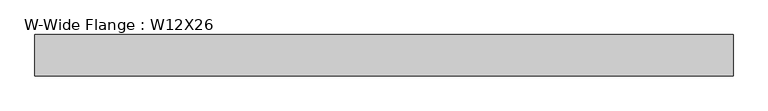
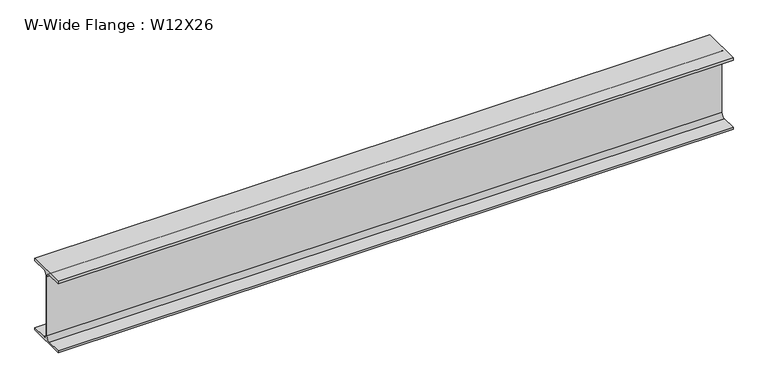
"""IFC4 building model written with IfcOpenShell, lengths in millimetres: beam geometry, W-Wide Flange : W12X26."""

from ifc_helpers import new_model, si_unit, point, frame, frame_2d, origin, place, context, project, spatial, polyline, circle_curve, trimmed, segment, composite_curve, outline, extrude, source, transform, mapped, element, save


def w_wide_flange_w12x26_d5e24187(model_context):
    return source(origin(), model_context, "Body", "SweptSolid", [
        extrude(outline(composite_curve([segment(polyline([(82.4011719, -145.5539063), (82.4011719, -155.178125), (-82.4011719, -155.178125), (-82.4011719, -145.5539063), (-20.2902344, -145.5539063)]), True, "CONTINUOUS"), segment(trimmed(circle_curve(frame_2d((-20.2902344, -128.190625)), 17.3632812), [point((-20.2902344, -145.5539063))], [point((-2.9269531, -128.190625))], True, "CARTESIAN"), True, "CONTINUOUS"), segment(polyline([(-2.9269531, -128.190625), (-2.9269531, 128.190625)]), True, "CONTINUOUS"), segment(trimmed(circle_curve(frame_2d((-20.2902344, 128.190625)), 17.3632812), [point((-2.9269531, 128.190625))], [point((-20.2902344, 145.5539062))], True, "CARTESIAN"), True, "CONTINUOUS"), segment(polyline([(-20.2902344, 145.5539062), (-82.4011719, 145.5539062), (-82.4011719, 155.178125), (82.4011719, 155.178125), (82.4011719, 145.5539062), (20.2902344, 145.5539062)]), True, "CONTINUOUS"), segment(trimmed(circle_curve(frame_2d((20.2902344, 128.190625)), 17.3632812), [point((20.2902344, 145.5539062))], [point((2.9269531, 128.190625))], True, "CARTESIAN"), True, "CONTINUOUS"), segment(polyline([(2.9269531, 128.190625), (2.9269531, -128.190625)]), True, "CONTINUOUS"), segment(trimmed(circle_curve(frame_2d((20.2902344, -128.190625)), 17.3632812), [point((2.9269531, -128.190625))], [point((20.2902344, -145.5539063))], True, "CARTESIAN"), True, "CONTINUOUS"), segment(polyline([(20.2902344, -145.5539063), (82.4011719, -145.5539063)]), True, "CONTINUOUS")], self_intersect=False)), frame((-1379.4247579, 0.0, 0.0), z_axis=(1.0, 0.0, 0.0), x_axis=(0.0, 1.0, 0.0)), (0.0, 0.0, 1.0), 2770.223586),
    ])


if __name__ == "__main__":
    model = new_model("IFC4")
    model_context = context("Model", 3, world=origin())
    ifc_project = project(units=[si_unit("LENGTHUNIT", "METRE", prefix="MILLI")], contexts=[model_context])
    site = spatial("IfcSite", under=ifc_project)
    building = spatial("IfcBuilding", under=site)
    placement = place(None, origin())
    w_wide_flange_w12x26_shape = w_wide_flange_w12x26_d5e24187(model_context)
    element("IfcBeam", 1, ObjectType="W-Wide Flange : W12X26", at=placement, inside=building, context=model_context, shape_type="MappedRepresentation", body=[
        mapped(w_wide_flange_w12x26_shape, transform((0.0, 0.0, 0.0), x_axis=(1.0, 0.0, 0.0), y_axis=(0.0, 1.0, 0.0), z_axis=(0.0, 0.0, 1.0))),
    ])
    save(model, "model.ifc")
